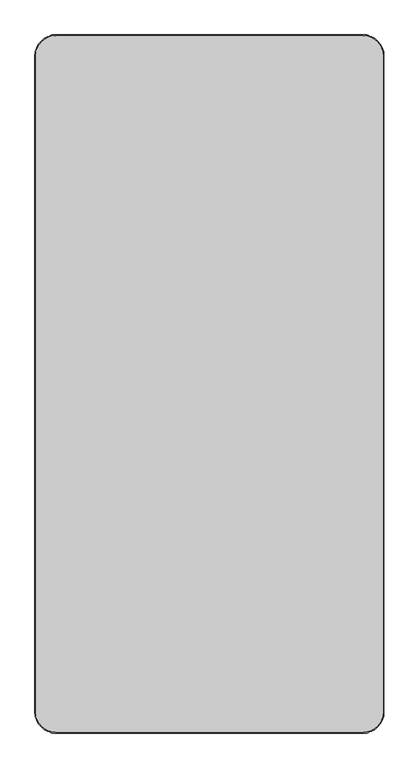
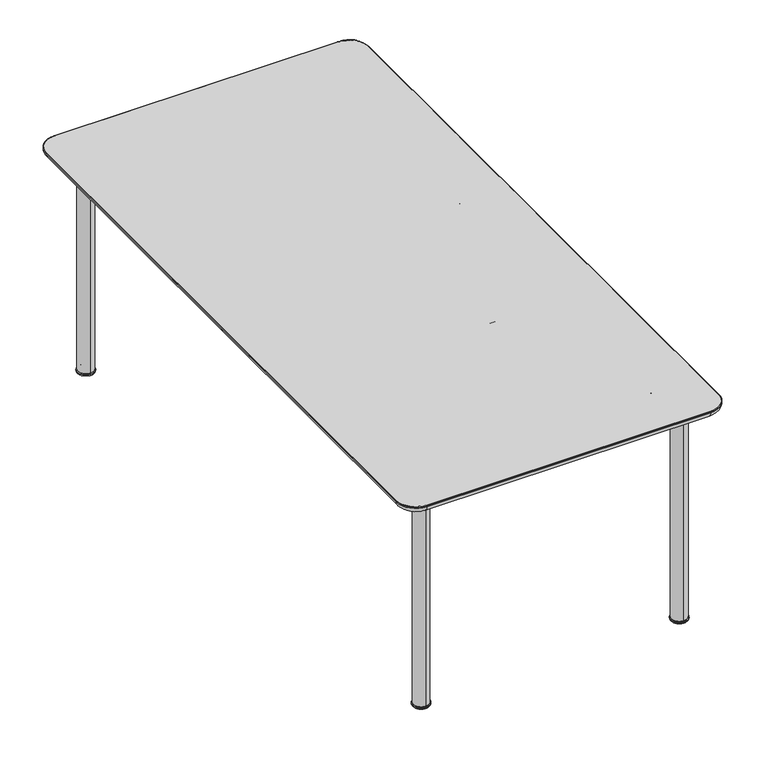
"""IFC4 building model written with IfcOpenShell, lengths in millimetres: furniture geometry."""

from ifc_helpers import new_model, si_unit, point, frame, frame_2d, origin, place, context, project, spatial, polyline, circle_curve, ellipse_curve, trimmed, segment, composite_curve, outline, extrude, source, transform, mapped, element, save
from ifc_brep_helpers import plane_surface, cylinder_surface, revolved_surface, advanced_brep


def furniture_ae0dc062(model_context):
    return source(origin(), model_context, "Body", "SolidModel", [
        advanced_brep(
        [(-387.5, -887.5, 689.5199779), (-412.5, -887.5, 689.5199779), (-412.5, -887.5, 664.4807411), (-387.5, -887.5, 664.4807411), (-387.5, 0.0, 689.5199779), (-412.5, 0.0, 689.5199779), (-412.5, 887.5, 689.5199779), (-412.5, 887.5, 664.4807411), (-412.5, 0.0, 664.4807411), (-387.5, 0.0, 664.4807411), (-387.5, 887.5, 664.4807411), (-387.5, 887.5, 689.5199779)],
        [
            (0, 1, circle_curve(frame((-400.0, -887.5, 689.5199779), z_axis=(0.0, -1.0, 0.0), x_axis=(-1.0, 0.0, 0.0)), 12.5)),
            (1, 2),
            (2, 3, circle_curve(frame((-400.0, -887.5, 664.4807411), z_axis=(0.0, -1.0, 0.0), x_axis=(-1.0, 0.0, 0.0)), 12.5)),
            (3, 0),
            (0, 4),
            (4, 5, circle_curve(frame((-400.0, 0.0, 689.5199779), z_axis=(0.0, -1.0, 0.0), x_axis=(-1.0, 0.0, 0.0)), 12.5)),
            (5, 1),
            (5, 6),
            (6, 7),
            (7, 8),
            (8, 2),
            (8, 9, circle_curve(frame((-400.0, 0.0, 664.4807411), z_axis=(0.0, -1.0, 0.0), x_axis=(-1.0, 0.0, 0.0)), 12.5)),
            (9, 3),
            (9, 10),
            (10, 11),
            (11, 4),
            (10, 7, circle_curve(frame((-400.0, 887.5, 664.4807411), z_axis=(0.0, 1.0, 0.0), x_axis=(-1.0, 0.0, 0.0)), 12.5)),
            (6, 11, circle_curve(frame((-400.0, 887.5, 689.5199779), z_axis=(0.0, 1.0, 0.0), x_axis=(-1.0, 0.0, 0.0)), 12.5)),
        ],
        [
            plane_surface(frame((-412.5, -887.5, 689.5199779), z_axis=(0.0, -1.0, 0.0), x_axis=(0.0, 0.0, -1.0))),
            cylinder_surface(frame((-400.0, 0.0, 689.5199779), z_axis=(0.0, -1.0, 0.0), x_axis=(-1.0, 0.0, 0.0)), 12.5),
            plane_surface(frame((-412.5, -887.5, 689.5199779), z_axis=(-1.0, 0.0, 0.0), x_axis=(0.0, 1.0, 0.0))),
            cylinder_surface(frame((-400.0, 0.0, 664.4807411), z_axis=(0.0, -1.0, 0.0), x_axis=(-1.0, 0.0, 0.0)), 12.5),
            plane_surface(frame((-387.5, -887.5, 664.4807411), z_axis=(1.0, 0.0, 0.0), x_axis=(0.0, 1.0, 0.0))),
            plane_surface(frame((-387.5, 887.5, 664.506188), z_axis=(0.0, 1.0, 0.0), x_axis=(0.0, 0.0, -1.0))),
            cylinder_surface(frame((-400.0, 0.0, 689.5199779), z_axis=(0.0, 1.0, 0.0), x_axis=(-1.0, 0.0, 0.0)), 12.5),
            cylinder_surface(frame((-400.0, 0.0, 664.4807411), z_axis=(0.0, 1.0, 0.0), x_axis=(-1.0, 0.0, 0.0)), 12.5),
        ],
        [
            (0, [[1, 2, 3, 4]]),
            (1, [[-1, 5, 6, 7]]),
            (2, [[-2, -7, 8, 9, 10, 11]]),
            (3, [[-3, -11, 12, 13]]),
            (4, [[-4, -13, 14, 15, 16, -5]]),
            (5, [[-15, 17, -9, 18]]),
            (6, [[-18, -8, -6, -16]]),
            (7, [[-17, -14, -12, -10]]),
        ],
    ),
        advanced_brep(
        [(387.5, -887.5, 689.5199779), (387.5, -887.5, 664.4807411), (412.5, -887.5, 664.4807411), (412.5, -887.5, 689.5199779), (412.5, 0.0, 689.5199779), (387.5, 0.0, 689.5199779), (412.5, 0.0, 664.4807411), (412.5, 887.5, 664.4807411), (412.5, 887.5, 689.5199779), (387.5, 0.0, 664.4807411), (387.5, 887.5, 689.5199779), (387.5, 887.5, 664.4807411)],
        [
            (0, 1),
            (1, 2, circle_curve(frame((400.0, -887.5, 664.4807411), z_axis=(0.0, -1.0, 0.0), x_axis=(1.0, 0.0, 0.0)), 12.5)),
            (2, 3),
            (3, 0, circle_curve(frame((400.0, -887.5, 689.5199779), z_axis=(0.0, -1.0, 0.0), x_axis=(1.0, 0.0, 0.0)), 12.5)),
            (3, 4),
            (4, 5, circle_curve(frame((400.0, 0.0, 689.5199779), z_axis=(0.0, -1.0, 0.0), x_axis=(1.0, 0.0, 0.0)), 12.5)),
            (5, 0),
            (2, 6),
            (6, 7),
            (7, 8),
            (8, 4),
            (1, 9),
            (9, 6, circle_curve(frame((400.0, 0.0, 664.4807411), z_axis=(0.0, -1.0, 0.0), x_axis=(1.0, 0.0, 0.0)), 12.5)),
            (5, 10),
            (10, 11),
            (11, 9),
            (10, 8, circle_curve(frame((400.0, 887.5, 689.5199779), z_axis=(0.0, 1.0, 0.0), x_axis=(1.0, 0.0, 0.0)), 12.5)),
            (7, 11, circle_curve(frame((400.0, 887.5, 664.4807411), z_axis=(0.0, 1.0, 0.0), x_axis=(1.0, 0.0, 0.0)), 12.5)),
        ],
        [
            plane_surface(frame((387.5, -887.5, 664.506188), z_axis=(0.0, -1.0, 0.0), x_axis=(0.0, 0.0, -1.0))),
            cylinder_surface(frame((400.0, 0.0, 689.5199779), z_axis=(0.0, -1.0, 0.0), x_axis=(1.0, 0.0, 0.0)), 12.5),
            plane_surface(frame((412.5, -887.5, 664.4807411), z_axis=(1.0, 0.0, 0.0), x_axis=(0.0, 1.0, 0.0))),
            cylinder_surface(frame((400.0, 0.0, 664.4807411), z_axis=(0.0, -1.0, 0.0), x_axis=(1.0, 0.0, 0.0)), 12.5),
            plane_surface(frame((387.5, -887.5, 689.5199779), z_axis=(-1.0, 0.0, 0.0), x_axis=(0.0, 1.0, 0.0))),
            plane_surface(frame((412.5, 887.5, 689.5199779), z_axis=(0.0, 1.0, 0.0), x_axis=(0.0, 0.0, -1.0))),
            cylinder_surface(frame((400.0, 0.0, 689.5199779), z_axis=(0.0, 1.0, 0.0), x_axis=(1.0, 0.0, 0.0)), 12.5),
            cylinder_surface(frame((400.0, 0.0, 664.4807411), z_axis=(0.0, 1.0, 0.0), x_axis=(1.0, 0.0, 0.0)), 12.5),
        ],
        [
            (0, [[1, 2, 3, 4]]),
            (1, [[-4, 5, 6, 7]]),
            (2, [[-3, 8, 9, 10, 11, -5]]),
            (3, [[-2, 12, 13, -8]]),
            (4, [[-1, -7, 14, 15, 16, -12]]),
            (5, [[17, -10, 18, -15]]),
            (6, [[-17, -14, -6, -11]]),
            (7, [[-18, -9, -13, -16]]),
        ],
    ),
        extrude(outline(composite_curve([segment(trimmed(circle_curve(frame_2d((753.0, 686.5060861)), 3.0), [point((750.0, 686.5060861))], [point((753.0, 689.5060861))], False, "CARTESIAN"), True, "CONTINUOUS"), segment(polyline([(753.0, 689.5060861), (772.0, 689.5060861)]), True, "CONTINUOUS"), segment(trimmed(circle_curve(frame_2d((772.0, 686.5060861)), 3.0), [point((772.0, 689.5060861))], [point((775.0, 686.5060861))], False, "CARTESIAN"), True, "CONTINUOUS"), segment(polyline([(775.0, 686.5060861), (775.0, 667.5060861)]), True, "CONTINUOUS"), segment(trimmed(circle_curve(frame_2d((772.0, 667.5060861)), 3.0), [point((775.0, 667.5060861))], [point((772.0, 664.5060861))], False, "CARTESIAN"), True, "CONTINUOUS"), segment(polyline([(772.0, 664.5060861), (753.0, 664.5060861)]), True, "CONTINUOUS"), segment(trimmed(circle_curve(frame_2d((753.0, 667.5060861)), 3.0), [point((753.0, 664.5060861))], [point((750.0, 667.5060861))], False, "CARTESIAN"), True, "CONTINUOUS"), segment(polyline([(750.0, 667.5060861), (750.0, 686.5060861)]), True, "CONTINUOUS")], self_intersect=False)), frame((-387.5, 0.0, 0.0), z_axis=(1.0, 0.0, 0.0), x_axis=(0.0, 1.0, 0.0)), (0.0, 0.0, 1.0), 775.0),
        extrude(outline(composite_curve([segment(trimmed(circle_curve(frame_2d((253.0, 686.5060861)), 3.0), [point((250.0, 686.5060861))], [point((253.0, 689.5060861))], False, "CARTESIAN"), True, "CONTINUOUS"), segment(polyline([(253.0, 689.5060861), (272.0, 689.5060861)]), True, "CONTINUOUS"), segment(trimmed(circle_curve(frame_2d((272.0, 686.5060861)), 3.0), [point((272.0, 689.5060861))], [point((275.0, 686.5060861))], False, "CARTESIAN"), True, "CONTINUOUS"), segment(polyline([(275.0, 686.5060861), (275.0, 667.5060861)]), True, "CONTINUOUS"), segment(trimmed(circle_curve(frame_2d((272.0, 667.5060861)), 3.0), [point((275.0, 667.5060861))], [point((272.0, 664.5060861))], False, "CARTESIAN"), True, "CONTINUOUS"), segment(polyline([(272.0, 664.5060861), (253.0, 664.5060861)]), True, "CONTINUOUS"), segment(trimmed(circle_curve(frame_2d((253.0, 667.5060861)), 3.0), [point((253.0, 664.5060861))], [point((250.0, 667.5060861))], False, "CARTESIAN"), True, "CONTINUOUS"), segment(polyline([(250.0, 667.5060861), (250.0, 686.5060861)]), True, "CONTINUOUS")], self_intersect=False)), frame((-387.5, 0.0, 0.0), z_axis=(1.0, 0.0, 0.0), x_axis=(0.0, 1.0, 0.0)), (0.0, 0.0, 1.0), 775.0),
        extrude(outline(composite_curve([segment(trimmed(circle_curve(frame_2d((900.0, 689.5199779)), 12.5), [point((887.5, 689.5199779))], [point((912.5, 689.5199779))], False, "CARTESIAN"), True, "CONTINUOUS"), segment(polyline([(912.5, 689.5199779), (912.5, 664.4807411)]), True, "CONTINUOUS"), segment(trimmed(circle_curve(frame_2d((900.0, 664.4807411)), 12.5), [point((912.5, 664.4807411))], [point((887.5, 664.4807411))], False, "CARTESIAN"), True, "CONTINUOUS"), segment(polyline([(887.5, 664.4807411), (887.5, 689.5199779)]), True, "CONTINUOUS")], self_intersect=False)), frame((-387.5, 0.0, 0.0), z_axis=(1.0, 0.0, 0.0), x_axis=(0.0, 1.0, 0.0)), (0.0, 0.0, 1.0), 775.0),
        advanced_brep(
        [(-400.0, 899.9751431, 7.0064935), (-400.0, 876.0499492, 7.0064935), (-400.0, 923.9003371, 7.0064935), (-400.0, 923.4003371, 0.0), (-400.0, 876.5499492, 0.0), (-400.0, 899.9751431, 0.0), (-400.0, 926.4003371, 3.0), (-400.0, 873.5499492, 3.0), (-400.0, 926.4003371, 4.5064935), (-400.0, 873.5499492, 4.5064935)],
        [
            (0, 1),
            (1, 2, circle_curve(frame((-400.0, 899.9751431, 7.0064935), z_axis=(0.0, 0.0, 1.0), x_axis=(0.0, -1.0, 0.0)), 23.925194)),
            (2, 0),
            (2, 1, circle_curve(frame((-400.0, 899.9751431, 7.0064935), z_axis=(0.0, 0.0, 1.0), x_axis=(0.0, -1.0, 0.0)), 23.925194)),
            (3, 4, circle_curve(frame((-400.0, 899.9751431, 0.0), z_axis=(0.0, 0.0, -1.0), x_axis=(0.0, -1.0, 0.0)), 23.425194)),
            (4, 5),
            (5, 3),
            (4, 3, circle_curve(frame((-400.0, 899.9751431, 0.0), z_axis=(0.0, 0.0, -1.0), x_axis=(0.0, -1.0, 0.0)), 23.425194)),
            (6, 7, circle_curve(frame((-400.0, 899.9751431, 3.0), z_axis=(0.0, 0.0, -1.0), x_axis=(0.0, -1.0, 0.0)), 26.425194)),
            (7, 4, circle_curve(frame((-400.0, 876.5499492, 3.0), z_axis=(1.0, 0.0, 0.0), x_axis=(0.0, -1.0, 0.0)), 3.0)),
            (3, 6, circle_curve(frame((-400.0, 923.4003371, 3.0), z_axis=(1.0, 0.0, 0.0), x_axis=(0.0, 1.0, 0.0)), 3.0)),
            (7, 6, circle_curve(frame((-400.0, 899.9751431, 3.0), z_axis=(0.0, 0.0, -1.0), x_axis=(0.0, -1.0, 0.0)), 26.425194)),
            (8, 9, circle_curve(frame((-400.0, 899.9751431, 4.5064935), z_axis=(0.0, 0.0, -1.0), x_axis=(0.0, -1.0, 0.0)), 26.425194)),
            (9, 7),
            (6, 8),
            (9, 8, circle_curve(frame((-400.0, 899.9751431, 4.5064935), z_axis=(0.0, 0.0, -1.0), x_axis=(0.0, -1.0, 0.0)), 26.425194)),
            (1, 9, circle_curve(frame((-400.0, 876.0499492, 4.5064935), z_axis=(1.0, 0.0, 0.0), x_axis=(0.0, -1.0, 0.0)), 2.5)),
            (8, 2, circle_curve(frame((-400.0, 923.9003371, 4.5064935), z_axis=(1.0, 0.0, 0.0), x_axis=(0.0, 1.0, 0.0)), 2.5)),
        ],
        [
            plane_surface(frame((-400.0, 899.9751431, 7.0064935), z_axis=(0.0, 0.0, 1.0), x_axis=(0.0, -1.0, 0.0))),
            plane_surface(frame((-400.0, 899.9751431, 0.0), z_axis=(0.0, 0.0, -1.0), x_axis=(0.0, -1.0, 0.0))),
            revolved_surface(trimmed(ellipse_curve(frame((-400.0, 876.5499492, 3.0), z_axis=(-1.0, 0.0, 0.0), x_axis=(0.0, -1.0, 0.0)), 3.0, 3.0), [point((-400.0, 876.5499492, 0.0))], [point((-400.0, 873.5499492, 3.0))], True, "CARTESIAN"), (-400.0, 899.9751431, 7.0064935), (0.0, 0.0, 1.0)),
            cylinder_surface(frame((-400.0, 899.9751431, 7.0064935), z_axis=(0.0, 0.0, 1.0), x_axis=(0.0, -1.0, 0.0)), 26.425194),
            revolved_surface(trimmed(ellipse_curve(frame((-400.0, 876.0499492, 4.5064935), z_axis=(-1.0, 0.0, 0.0), x_axis=(0.0, -1.0, 0.0)), 2.5, 2.5), [point((-400.0, 873.5499492, 4.5064935))], [point((-400.0, 876.0499492, 7.0064935))], True, "CARTESIAN"), (-400.0, 899.9751431, 7.0064935), (0.0, 0.0, 1.0)),
        ],
        [
            (0, [[1, 2, 3]]),
            (0, [[-3, 4, -1]]),
            (1, [[5, 6, 7]]),
            (1, [[8, -7, -6]]),
            (2, [[9, 10, -5, 11]]),
            (2, [[12, -11, -8, -10]]),
            (3, [[13, 14, -9, 15]]),
            (3, [[16, -15, -12, -14]]),
            (4, [[-2, 17, -13, 18]]),
            (4, [[-4, -18, -16, -17]]),
        ],
    ),
        extrude(outline(composite_curve([segment(trimmed(circle_curve(frame_2d((-400.0034069, 899.9751431)), 24.0), [point((-400.0034069, 923.9751431))], [point((-400.0034069, 875.9751431))], False, "CARTESIAN"), True, "CONTINUOUS"), segment(trimmed(circle_curve(frame_2d((-400.0034069, 899.9751431)), 24.0), [point((-400.0034069, 875.9751431))], [point((-400.0034069, 923.9751431))], False, "CARTESIAN"), True, "CONTINUOUS")], self_intersect=False)), frame((0.0, 0.0, 7.0064935), z_axis=(0.0, 0.0, 1.0), x_axis=(1.0, 0.0, 0.0)), (0.0, 0.0, 1.0), 695.0),
        advanced_brep(
        [(400.0, 923.9003371, 7.0064935), (400.0, 876.0499492, 7.0064935), (400.0, 899.9751431, 7.0064935), (400.0, 899.9751431, 0.0), (400.0, 876.5499492, 0.0), (400.0, 923.4003371, 0.0), (400.0, 873.5499492, 3.0), (400.0, 926.4003371, 3.0), (400.0, 873.5499492, 4.5064935), (400.0, 926.4003371, 4.5064935)],
        [
            (0, 1, circle_curve(frame((400.0, 899.9751431, 7.0064935), z_axis=(0.0, 0.0, 1.0), x_axis=(0.0, -1.0, 0.0)), 23.925194)),
            (1, 2),
            (2, 0),
            (1, 0, circle_curve(frame((400.0, 899.9751431, 7.0064935), z_axis=(0.0, 0.0, 1.0), x_axis=(0.0, -1.0, 0.0)), 23.925194)),
            (3, 4),
            (4, 5, circle_curve(frame((400.0, 899.9751431, 0.0), z_axis=(0.0, 0.0, -1.0), x_axis=(0.0, -1.0, 0.0)), 23.425194)),
            (5, 3),
            (5, 4, circle_curve(frame((400.0, 899.9751431, 0.0), z_axis=(0.0, 0.0, -1.0), x_axis=(0.0, -1.0, 0.0)), 23.425194)),
            (4, 6, circle_curve(frame((400.0, 876.5499492, 3.0), z_axis=(-1.0, 0.0, 0.0), x_axis=(0.0, -1.0, 0.0)), 3.0)),
            (6, 7, circle_curve(frame((400.0, 899.9751431, 3.0), z_axis=(0.0, 0.0, -1.0), x_axis=(0.0, -1.0, 0.0)), 26.425194)),
            (7, 5, circle_curve(frame((400.0, 923.4003371, 3.0), z_axis=(-1.0, 0.0, 0.0), x_axis=(0.0, 1.0, 0.0)), 3.0)),
            (7, 6, circle_curve(frame((400.0, 899.9751431, 3.0), z_axis=(0.0, 0.0, -1.0), x_axis=(0.0, -1.0, 0.0)), 26.425194)),
            (6, 8),
            (8, 9, circle_curve(frame((400.0, 899.9751431, 4.5064935), z_axis=(0.0, 0.0, -1.0), x_axis=(0.0, -1.0, 0.0)), 26.425194)),
            (9, 7),
            (9, 8, circle_curve(frame((400.0, 899.9751431, 4.5064935), z_axis=(0.0, 0.0, -1.0), x_axis=(0.0, -1.0, 0.0)), 26.425194)),
            (8, 1, circle_curve(frame((400.0, 876.0499492, 4.5064935), z_axis=(-1.0, 0.0, 0.0), x_axis=(0.0, -1.0, 0.0)), 2.5)),
            (0, 9, circle_curve(frame((400.0, 923.9003371, 4.5064935), z_axis=(-1.0, 0.0, 0.0), x_axis=(0.0, 1.0, 0.0)), 2.5)),
        ],
        [
            plane_surface(frame((400.0, 899.9751431, 7.0064935), z_axis=(0.0, 0.0, 1.0), x_axis=(0.0, -1.0, 0.0))),
            plane_surface(frame((400.0, 899.9751431, 0.0), z_axis=(0.0, 0.0, -1.0), x_axis=(0.0, -1.0, 0.0))),
            revolved_surface(trimmed(ellipse_curve(frame((400.0, 876.5499492, 3.0), z_axis=(1.0, 0.0, 0.0), x_axis=(0.0, -1.0, 0.0)), 3.0, 3.0), [point((400.0, 873.5499492, 3.0))], [point((400.0, 876.5499492, 0.0))], True, "CARTESIAN"), (400.0, 899.9751431, 7.0064935), (0.0, 0.0, -1.0)),
            cylinder_surface(frame((400.0, 899.9751431, 7.0064935), z_axis=(0.0, 0.0, -1.0), x_axis=(0.0, -1.0, 0.0)), 26.425194),
            revolved_surface(trimmed(ellipse_curve(frame((400.0, 876.0499492, 4.5064935), z_axis=(1.0, 0.0, 0.0), x_axis=(0.0, -1.0, 0.0)), 2.5, 2.5), [point((400.0, 876.0499492, 7.0064935))], [point((400.0, 873.5499492, 4.5064935))], True, "CARTESIAN"), (400.0, 899.9751431, 7.0064935), (0.0, 0.0, -1.0)),
        ],
        [
            (0, [[1, 2, 3]]),
            (0, [[4, -3, -2]]),
            (1, [[5, 6, 7]]),
            (1, [[-7, 8, -5]]),
            (2, [[-6, 9, 10, 11]]),
            (2, [[-8, -11, 12, -9]]),
            (3, [[-10, 13, 14, 15]]),
            (3, [[-12, -15, 16, -13]]),
            (4, [[-14, 17, -1, 18]]),
            (4, [[-16, -18, -4, -17]]),
        ],
    ),
        extrude(outline(composite_curve([segment(trimmed(circle_curve(frame_2d((400.0034069, 899.9751431)), 24.0), [point((400.0034069, 923.9751431))], [point((400.0034069, 875.9751431))], False, "CARTESIAN"), True, "CONTINUOUS"), segment(trimmed(circle_curve(frame_2d((400.0034069, 899.9751431)), 24.0), [point((400.0034069, 875.9751431))], [point((400.0034069, 923.9751431))], False, "CARTESIAN"), True, "CONTINUOUS")], self_intersect=False)), frame((0.0, 0.0, 7.0064935), z_axis=(0.0, 0.0, 1.0), x_axis=(1.0, 0.0, 0.0)), (0.0, 0.0, 1.0), 695.0),
        advanced_brep(
        [(-498.0, -940.0, 725.0064935), (-440.0, -998.0, 725.0064935), (440.0, -998.0, 725.0064935), (498.0, -940.0, 725.0064935), (498.0, 0.0, 725.0064935), (498.0, 940.0, 725.0064935), (440.0, 998.0, 725.0064935), (-440.0, 998.0, 725.0064935), (-498.0, 940.0, 725.0064935), (-498.0, 0.0, 725.0064935), (-440.0, -992.0, 705.0064935), (-492.0, -940.0, 705.0064935), (-492.0, 0.0, 705.0064935), (-492.0, 940.0, 705.0064935), (-440.0, 992.0, 705.0064935), (440.0, 992.0, 705.0064935), (492.0, 940.0, 705.0064935), (492.0, 0.0, 705.0064935), (492.0, -940.0, 705.0064935), (440.0, -992.0, 705.0064935), (440.0, -1000.0, 723.0064935), (440.0, -1000.0, 721.0064935), (500.0, -940.0, 721.0064935), (500.0, -940.0, 723.0064946), (500.0, 0.0, 721.0064935), (500.0, 940.0, 721.0064935), (500.0, 940.0, 723.0064935), (500.0, 0.0, 723.0064935), (-500.0, 940.0, 723.0064936), (-500.0, 940.0, 721.0064935), (-500.0, 0.0, 721.0064935), (-500.0, -940.0, 721.0064935), (-500.0, -940.0, 723.0064947), (-500.0, 0.0, 723.0064935), (-440.0, -1000.0, 721.0064935), (-440.0, -1000.0, 723.0064946), (440.0, 1000.0, 723.0064935), (440.0, 1000.0, 721.0064935), (-440.0, 1000.0, 723.0064935), (-440.0, 1000.0, 721.0064935)],
        [
            (0, 1, circle_curve(frame((-440.0, -940.0, 725.0064935), z_axis=(0.0, 0.0, 1.0), x_axis=(-1.0, 0.0, 0.0)), 58.0)),
            (1, 2),
            (2, 3, circle_curve(frame((440.0, -940.0, 725.0064935), z_axis=(0.0, 0.0, 1.0), x_axis=(0.0, -1.0, 0.0)), 58.0)),
            (3, 4),
            (4, 5),
            (5, 6, circle_curve(frame((440.0, 940.0, 725.0064935), z_axis=(0.0, 0.0, 1.0), x_axis=(1.0, 0.0, 0.0)), 58.0)),
            (6, 7),
            (7, 8, circle_curve(frame((-440.0, 940.0, 725.0064935), z_axis=(0.0, 0.0, 1.0), x_axis=(0.0, 1.0, 0.0)), 58.0)),
            (8, 9),
            (9, 0),
            (10, 11, circle_curve(frame((-440.0, -940.0, 705.0064935), z_axis=(0.0, 0.0, -1.0), x_axis=(-1.0, 0.0, 0.0)), 52.0)),
            (11, 12),
            (12, 13),
            (13, 14, circle_curve(frame((-440.0, 940.0, 705.0064935), z_axis=(0.0, 0.0, -1.0), x_axis=(0.0, 1.0, 0.0)), 52.0)),
            (14, 15),
            (15, 16, circle_curve(frame((440.0, 940.0, 705.0064935), z_axis=(0.0, 0.0, -1.0), x_axis=(1.0, 0.0, 0.0)), 52.0)),
            (16, 17),
            (17, 18),
            (18, 19, circle_curve(frame((440.0, -940.0, 705.0064935), z_axis=(0.0, 0.0, -1.0), x_axis=(0.0, -1.0, 0.0)), 52.0)),
            (19, 10),
            (20, 21),
            (21, 22, circle_curve(frame((440.0, -940.0, 721.0064935), z_axis=(0.0, 0.0, 1.0), x_axis=(0.0, 1.0, 0.0)), 60.0)),
            (22, 23),
            (23, 20, circle_curve(frame((440.0, -940.0, 723.0064935), z_axis=(0.0, 0.0, -1.0), x_axis=(0.0, 1.0, 0.0)), 60.0)),
            (22, 24),
            (24, 25),
            (25, 26),
            (26, 27),
            (27, 23),
            (28, 29),
            (29, 30),
            (30, 31),
            (31, 32),
            (32, 33),
            (33, 28),
            (31, 34, circle_curve(frame((-440.0, -940.0, 721.0064935), z_axis=(0.0, 0.0, 1.0), x_axis=(0.0, 1.0, 0.0)), 60.0)),
            (34, 35),
            (35, 32, circle_curve(frame((-440.0, -940.0, 723.0064935), z_axis=(0.0, 0.0, -1.0), x_axis=(0.0, 1.0, 0.0)), 60.0)),
            (20, 35),
            (34, 21),
            (35, 1, circle_curve(frame((-440.0, -998.0, 723.0064935), z_axis=(-1.0, 0.0, 0.0), x_axis=(0.0, 1.0, 0.0)), 2.0)),
            (0, 32, circle_curve(frame((-498.0, -940.0, 723.0064935), z_axis=(0.0, -1.0, 0.0), x_axis=(1.0, 0.0, 0.0)), 2.0)),
            (10, 34, circle_curve(frame((-440.0, -980.0, 721.0064935), z_axis=(-1.0, 0.0, 0.0), x_axis=(0.0, 1.0, 0.0)), 20.0)),
            (31, 11, circle_curve(frame((-480.0, -940.0, 721.0064935), z_axis=(0.0, -1.0, 0.0), x_axis=(1.0, 0.0, 0.0)), 20.0)),
            (20, 2, circle_curve(frame((440.0, -998.0, 723.0064935), z_axis=(-1.0, 0.0, 0.0), x_axis=(0.0, 1.0, 0.0)), 2.0)),
            (19, 21, circle_curve(frame((440.0, -980.0, 721.0064935), z_axis=(-1.0, 0.0, 0.0), x_axis=(0.0, 1.0, 0.0)), 20.0)),
            (23, 3, circle_curve(frame((498.0, -940.0, 723.0064935), z_axis=(0.0, -1.0, 0.0), x_axis=(-1.0, 0.0, 0.0)), 2.0)),
            (18, 22, circle_curve(frame((480.0, -940.0, 721.0064935), z_axis=(0.0, -1.0, 0.0), x_axis=(-1.0, 0.0, 0.0)), 20.0)),
            (27, 4, circle_curve(frame((498.0, 0.0, 723.0064935), z_axis=(0.0, -1.0, 0.0), x_axis=(-1.0, 0.0, 0.0)), 2.0)),
            (17, 24, circle_curve(frame((480.0, 0.0, 721.0064935), z_axis=(0.0, -1.0, 0.0), x_axis=(-1.0, 0.0, 0.0)), 20.0)),
            (26, 5, circle_curve(frame((498.0, 940.0, 723.0064935), z_axis=(0.0, -1.0, 0.0), x_axis=(-1.0, 0.0, 0.0)), 2.0)),
            (16, 25, circle_curve(frame((480.0, 940.0, 721.0064935), z_axis=(0.0, -1.0, 0.0), x_axis=(-1.0, 0.0, 0.0)), 20.0)),
            (26, 36, circle_curve(frame((440.0, 940.0, 723.0064935), z_axis=(0.0, 0.0, 1.0), x_axis=(1.0, 0.0, 0.0)), 60.0)),
            (36, 6, circle_curve(frame((440.0, 998.0, 723.0064935), z_axis=(1.0, 0.0, 0.0), x_axis=(0.0, -1.0, 0.0)), 2.0)),
            (15, 37, circle_curve(frame((440.0, 980.0, 721.0064935), z_axis=(1.0, 0.0, 0.0), x_axis=(0.0, -1.0, 0.0)), 20.0)),
            (37, 25, circle_curve(frame((440.0, 940.0, 721.0064935), z_axis=(0.0, 0.0, -1.0), x_axis=(1.0, 0.0, 0.0)), 60.0)),
            (36, 38),
            (38, 7, circle_curve(frame((-440.0, 998.0, 723.0064935), z_axis=(1.0, 0.0, 0.0), x_axis=(0.0, -1.0, 0.0)), 2.0)),
            (14, 39, circle_curve(frame((-440.0, 980.0, 721.0064935), z_axis=(1.0, 0.0, 0.0), x_axis=(0.0, -1.0, 0.0)), 20.0)),
            (39, 37),
            (38, 28, circle_curve(frame((-440.0, 940.0, 723.0064935), z_axis=(0.0, 0.0, 1.0), x_axis=(0.0, 1.0, 0.0)), 60.0)),
            (28, 8, circle_curve(frame((-498.0, 940.0, 723.0064935), z_axis=(0.0, 1.0, 0.0), x_axis=(1.0, 0.0, 0.0)), 2.0)),
            (13, 29, circle_curve(frame((-480.0, 940.0, 721.0064935), z_axis=(0.0, 1.0, 0.0), x_axis=(1.0, 0.0, 0.0)), 20.0)),
            (29, 39, circle_curve(frame((-440.0, 940.0, 721.0064935), z_axis=(0.0, 0.0, -1.0), x_axis=(0.0, 1.0, 0.0)), 60.0)),
            (33, 9, circle_curve(frame((-498.0, 0.0, 723.0064935), z_axis=(0.0, 1.0, 0.0), x_axis=(1.0, 0.0, 0.0)), 2.0)),
            (12, 30, circle_curve(frame((-480.0, 0.0, 721.0064935), z_axis=(0.0, 1.0, 0.0), x_axis=(1.0, 0.0, 0.0)), 20.0)),
            (37, 36),
            (38, 39),
        ],
        [
            plane_surface(frame((440.0, -880.0, 725.0064935), z_axis=(0.0, 0.0, 1.0), x_axis=(-1.0, 0.0, 0.0))),
            plane_surface(frame((440.0, -880.0, 705.0064935), z_axis=(0.0, 0.0, -1.0), x_axis=(1.0, 0.0, 0.0))),
            cylinder_surface(frame((440.0, -940.0, 705.0064935), z_axis=(0.0, 0.0, 1.0), x_axis=(0.0, 1.0, 0.0)), 60.0),
            plane_surface(frame((500.0, -940.0, 725.0064935), z_axis=(1.0, 0.0, 0.0), x_axis=(0.0, 0.0, -1.0))),
            plane_surface(frame((-500.0, 0.0, 725.0064935), z_axis=(-1.0, 0.0, 0.0), x_axis=(0.0, 0.0, -1.0))),
            cylinder_surface(frame((-440.0, -940.0, 705.0064935), z_axis=(0.0, 0.0, 1.0), x_axis=(0.0, 1.0, 0.0)), 60.0),
            plane_surface(frame((-440.0, -1000.0, 725.0064935), z_axis=(0.0, -1.0, 0.0), x_axis=(0.0, 0.0, -1.0))),
            revolved_surface(trimmed(ellipse_curve(frame((-498.0, -940.0, 723.0064935), z_axis=(0.0, 1.0, 0.0), x_axis=(1.0, 0.0, 0.0)), 2.0, 2.0), [point((-500.0, -940.0, 723.0064935))], [point((-498.0, -940.0, 725.0064935))], True, "CARTESIAN"), (-440.0, -940.0, 0.0), (0.0, 0.0, 1.0)),
            revolved_surface(trimmed(ellipse_curve(frame((-480.0, -940.0, 721.0064935), z_axis=(0.0, 1.0, 0.0), x_axis=(1.0, 0.0, 0.0)), 20.0, 20.0), [point((-492.0, -940.0, 705.0064935))], [point((-500.0, -940.0, 721.0064935))], True, "CARTESIAN"), (-440.0, -940.0, 0.0), (0.0, 0.0, 1.0)),
            cylinder_surface(frame((-440.0, -998.0, 723.0064935), z_axis=(1.0, 0.0, 0.0), x_axis=(0.0, 1.0, 0.0)), 2.0),
            cylinder_surface(frame((-440.0, -980.0, 721.0064935), z_axis=(1.0, 0.0, 0.0), x_axis=(0.0, 1.0, 0.0)), 20.0),
            revolved_surface(trimmed(ellipse_curve(frame((440.0, -998.0, 723.0064935), z_axis=(-1.0, 0.0, 0.0), x_axis=(0.0, 1.0, 0.0)), 2.0, 2.0), [point((440.0, -1000.0, 723.0064935))], [point((440.0, -998.0, 725.0064935))], True, "CARTESIAN"), (440.0, -940.0, 0.0), (0.0, 0.0, 1.0)),
            revolved_surface(trimmed(ellipse_curve(frame((440.0, -980.0, 721.0064935), z_axis=(-1.0, 0.0, 0.0), x_axis=(0.0, 1.0, 0.0)), 20.0, 20.0), [point((440.0, -992.0, 705.0064935))], [point((440.0, -1000.0, 721.0064935))], True, "CARTESIAN"), (440.0, -940.0, 0.0), (0.0, 0.0, 1.0)),
            cylinder_surface(frame((498.0, -940.0, 723.0064935), z_axis=(0.0, 1.0, 0.0), x_axis=(-1.0, 0.0, 0.0)), 2.0),
            cylinder_surface(frame((480.0, -940.0, 721.0064935), z_axis=(0.0, 1.0, 0.0), x_axis=(-1.0, 0.0, 0.0)), 20.0),
            cylinder_surface(frame((498.0, 0.0, 723.0064935), z_axis=(0.0, 1.0, 0.0), x_axis=(-1.0, 0.0, 0.0)), 2.0),
            cylinder_surface(frame((480.0, 0.0, 721.0064935), z_axis=(0.0, 1.0, 0.0), x_axis=(-1.0, 0.0, 0.0)), 20.0),
            revolved_surface(trimmed(ellipse_curve(frame((498.0, 940.0, 723.0064935), z_axis=(0.0, -1.0, 0.0), x_axis=(-1.0, 0.0, 0.0)), 2.0, 2.0), [point((500.0, 940.0, 723.0064935))], [point((498.0, 940.0, 725.0064935))], True, "CARTESIAN"), (440.0, 940.0, 0.0), (0.0, 0.0, 1.0)),
            revolved_surface(trimmed(ellipse_curve(frame((480.0, 940.0, 721.0064935), z_axis=(0.0, -1.0, 0.0), x_axis=(-1.0, 0.0, 0.0)), 20.0, 20.0), [point((492.0, 940.0, 705.0064935))], [point((500.0, 940.0, 721.0064935))], True, "CARTESIAN"), (440.0, 940.0, 0.0), (0.0, 0.0, 1.0)),
            cylinder_surface(frame((440.0, 998.0, 723.0064935), z_axis=(-1.0, 0.0, 0.0), x_axis=(0.0, -1.0, 0.0)), 2.0),
            cylinder_surface(frame((440.0, 980.0, 721.0064935), z_axis=(-1.0, 0.0, 0.0), x_axis=(0.0, -1.0, 0.0)), 20.0),
            revolved_surface(trimmed(ellipse_curve(frame((-440.0, 998.0, 723.0064935), z_axis=(1.0, 0.0, 0.0), x_axis=(0.0, -1.0, 0.0)), 2.0, 2.0), [point((-440.0, 1000.0, 723.0064935))], [point((-440.0, 998.0, 725.0064935))], True, "CARTESIAN"), (-440.0, 940.0, 0.0), (0.0, 0.0, 1.0)),
            revolved_surface(trimmed(ellipse_curve(frame((-440.0, 980.0, 721.0064935), z_axis=(1.0, 0.0, 0.0), x_axis=(0.0, -1.0, 0.0)), 20.0, 20.0), [point((-440.0, 992.0, 705.0064935))], [point((-440.0, 1000.0, 721.0064935))], True, "CARTESIAN"), (-440.0, 940.0, 0.0), (0.0, 0.0, 1.0)),
            cylinder_surface(frame((-498.0, 940.0, 723.0064935), z_axis=(0.0, -1.0, 0.0), x_axis=(1.0, 0.0, 0.0)), 2.0),
            cylinder_surface(frame((-480.0, 940.0, 721.0064935), z_axis=(0.0, -1.0, 0.0), x_axis=(1.0, 0.0, 0.0)), 20.0),
            cylinder_surface(frame((-498.0, 0.0, 723.0064935), z_axis=(0.0, -1.0, 0.0), x_axis=(1.0, 0.0, 0.0)), 2.0),
            cylinder_surface(frame((-480.0, 0.0, 721.0064935), z_axis=(0.0, -1.0, 0.0), x_axis=(1.0, 0.0, 0.0)), 20.0),
            cylinder_surface(frame((440.0, 940.0, 705.0064935), z_axis=(0.0, 0.0, 1.0), x_axis=(0.0, -1.0, 0.0)), 60.0),
            cylinder_surface(frame((-440.0, 940.0, 705.0064935), z_axis=(0.0, 0.0, 1.0), x_axis=(0.0, -1.0, 0.0)), 60.0),
            plane_surface(frame((440.0, 1000.0, 725.0064935), z_axis=(0.0, 1.0, 0.0), x_axis=(0.0, 0.0, -1.0))),
        ],
        [
            (0, [[1, 2, 3, 4, 5, 6, 7, 8, 9, 10]]),
            (1, [[11, 12, 13, 14, 15, 16, 17, 18, 19, 20]]),
            (2, [[21, 22, 23, 24]]),
            (3, [[-23, 25, 26, 27, 28, 29]]),
            (4, [[30, 31, 32, 33, 34, 35]]),
            (5, [[-33, 36, 37, 38]]),
            (6, [[-21, 39, -37, 40]]),
            (7, [[41, -1, 42, -38]]),
            (8, [[43, -36, 44, -11]]),
            (9, [[-41, -39, 45, -2]]),
            (10, [[-43, -20, 46, -40]]),
            (11, [[-45, -24, 47, -3]]),
            (12, [[-46, -19, 48, -22]]),
            (13, [[-47, -29, 49, -4]]),
            (14, [[-48, -18, 50, -25]]),
            (15, [[-49, -28, 51, -5]]),
            (16, [[-50, -17, 52, -26]]),
            (17, [[-51, 53, 54, -6]]),
            (18, [[-52, -16, 55, 56]]),
            (19, [[-54, 57, 58, -7]]),
            (20, [[-55, -15, 59, 60]]),
            (21, [[-58, 61, 62, -8]]),
            (22, [[-59, -14, 63, 64]]),
            (23, [[-62, -35, 65, -9]]),
            (24, [[-63, -13, 66, -31]]),
            (25, [[-42, -10, -65, -34]]),
            (26, [[-44, -32, -66, -12]]),
            (27, [[-27, -56, 67, -53]]),
            (28, [[-30, -61, 68, -64]]),
            (29, [[-68, -57, -67, -60]]),
        ],
    ),
        extrude(outline(composite_curve([segment(polyline([(-750.0, 686.5060861), (-750.0, 667.5060861)]), True, "CONTINUOUS"), segment(trimmed(circle_curve(frame_2d((-753.0, 667.5060861)), 3.0), [point((-750.0, 667.5060861))], [point((-753.0, 664.5060861))], False, "CARTESIAN"), True, "CONTINUOUS"), segment(polyline([(-753.0, 664.5060861), (-772.0, 664.5060861)]), True, "CONTINUOUS"), segment(trimmed(circle_curve(frame_2d((-772.0, 667.5060861)), 3.0), [point((-772.0, 664.5060861))], [point((-775.0, 667.5060861))], False, "CARTESIAN"), True, "CONTINUOUS"), segment(polyline([(-775.0, 667.5060861), (-775.0, 686.5060861)]), True, "CONTINUOUS"), segment(trimmed(circle_curve(frame_2d((-772.0, 686.5060861)), 3.0), [point((-775.0, 686.5060861))], [point((-772.0, 689.5060861))], False, "CARTESIAN"), True, "CONTINUOUS"), segment(polyline([(-772.0, 689.5060861), (-753.0, 689.5060861)]), True, "CONTINUOUS"), segment(trimmed(circle_curve(frame_2d((-753.0, 686.5060861)), 3.0), [point((-753.0, 689.5060861))], [point((-750.0, 686.5060861))], False, "CARTESIAN"), True, "CONTINUOUS")], self_intersect=False)), frame((-387.5, 0.0, 0.0), z_axis=(1.0, 0.0, 0.0), x_axis=(0.0, 1.0, 0.0)), (0.0, 0.0, 1.0), 775.0),
        extrude(outline(composite_curve([segment(polyline([(-250.0, 686.5060861), (-250.0, 667.5060861)]), True, "CONTINUOUS"), segment(trimmed(circle_curve(frame_2d((-253.0, 667.5060861)), 3.0), [point((-250.0, 667.5060861))], [point((-253.0, 664.5060861))], False, "CARTESIAN"), True, "CONTINUOUS"), segment(polyline([(-253.0, 664.5060861), (-272.0, 664.5060861)]), True, "CONTINUOUS"), segment(trimmed(circle_curve(frame_2d((-272.0, 667.5060861)), 3.0), [point((-272.0, 664.5060861))], [point((-275.0, 667.5060861))], False, "CARTESIAN"), True, "CONTINUOUS"), segment(polyline([(-275.0, 667.5060861), (-275.0, 686.5060861)]), True, "CONTINUOUS"), segment(trimmed(circle_curve(frame_2d((-272.0, 686.5060861)), 3.0), [point((-275.0, 686.5060861))], [point((-272.0, 689.5060861))], False, "CARTESIAN"), True, "CONTINUOUS"), segment(polyline([(-272.0, 689.5060861), (-253.0, 689.5060861)]), True, "CONTINUOUS"), segment(trimmed(circle_curve(frame_2d((-253.0, 686.5060861)), 3.0), [point((-253.0, 689.5060861))], [point((-250.0, 686.5060861))], False, "CARTESIAN"), True, "CONTINUOUS")], self_intersect=False)), frame((-387.5, 0.0, 0.0), z_axis=(1.0, 0.0, 0.0), x_axis=(0.0, 1.0, 0.0)), (0.0, 0.0, 1.0), 775.0),
        extrude(outline(composite_curve([segment(polyline([(-887.5, 689.5199779), (-887.5, 664.4807411)]), True, "CONTINUOUS"), segment(trimmed(circle_curve(frame_2d((-900.0, 664.4807411)), 12.5), [point((-887.5, 664.4807411))], [point((-912.5, 664.4807411))], False, "CARTESIAN"), True, "CONTINUOUS"), segment(polyline([(-912.5, 664.4807411), (-912.5, 689.5199779)]), True, "CONTINUOUS"), segment(trimmed(circle_curve(frame_2d((-900.0, 689.5199779)), 12.5), [point((-912.5, 689.5199779))], [point((-887.5, 689.5199779))], False, "CARTESIAN"), True, "CONTINUOUS")], self_intersect=False)), frame((-387.5, 0.0, 0.0), z_axis=(1.0, 0.0, 0.0), x_axis=(0.0, 1.0, 0.0)), (0.0, 0.0, 1.0), 775.0),
        advanced_brep(
        [(-400.0, -923.9003371, 7.0064935), (-400.0, -876.0499492, 7.0064935), (-400.0, -899.9751431, 7.0064935), (-400.0, -899.9751431, 0.0), (-400.0, -876.5499492, 0.0), (-400.0, -923.4003371, 0.0), (-400.0, -873.5499492, 3.0), (-400.0, -926.4003371, 3.0), (-400.0, -873.5499492, 4.5064935), (-400.0, -926.4003371, 4.5064935)],
        [
            (0, 1, circle_curve(frame((-400.0, -899.9751431, 7.0064935), z_axis=(0.0, 0.0, 1.0), x_axis=(0.0, 1.0, 0.0)), 23.925194)),
            (1, 2),
            (2, 0),
            (1, 0, circle_curve(frame((-400.0, -899.9751431, 7.0064935), z_axis=(0.0, 0.0, 1.0), x_axis=(0.0, 1.0, 0.0)), 23.925194)),
            (3, 4),
            (4, 5, circle_curve(frame((-400.0, -899.9751431, 0.0), z_axis=(0.0, 0.0, -1.0), x_axis=(0.0, 1.0, 0.0)), 23.425194)),
            (5, 3),
            (5, 4, circle_curve(frame((-400.0, -899.9751431, 0.0), z_axis=(0.0, 0.0, -1.0), x_axis=(0.0, 1.0, 0.0)), 23.425194)),
            (4, 6, circle_curve(frame((-400.0, -876.5499492, 3.0), z_axis=(1.0, 0.0, 0.0), x_axis=(0.0, 1.0, 0.0)), 3.0)),
            (6, 7, circle_curve(frame((-400.0, -899.9751431, 3.0), z_axis=(0.0, 0.0, -1.0), x_axis=(0.0, 1.0, 0.0)), 26.425194)),
            (7, 5, circle_curve(frame((-400.0, -923.4003371, 3.0), z_axis=(1.0, 0.0, 0.0), x_axis=(0.0, -1.0, 0.0)), 3.0)),
            (7, 6, circle_curve(frame((-400.0, -899.9751431, 3.0), z_axis=(0.0, 0.0, -1.0), x_axis=(0.0, 1.0, 0.0)), 26.425194)),
            (6, 8),
            (8, 9, circle_curve(frame((-400.0, -899.9751431, 4.5064935), z_axis=(0.0, 0.0, -1.0), x_axis=(0.0, 1.0, 0.0)), 26.425194)),
            (9, 7),
            (9, 8, circle_curve(frame((-400.0, -899.9751431, 4.5064935), z_axis=(0.0, 0.0, -1.0), x_axis=(0.0, 1.0, 0.0)), 26.425194)),
            (8, 1, circle_curve(frame((-400.0, -876.0499492, 4.5064935), z_axis=(1.0, 0.0, 0.0), x_axis=(0.0, 1.0, 0.0)), 2.5)),
            (0, 9, circle_curve(frame((-400.0, -923.9003371, 4.5064935), z_axis=(1.0, 0.0, 0.0), x_axis=(0.0, -1.0, 0.0)), 2.5)),
        ],
        [
            plane_surface(frame((-400.0, -899.9751431, 7.0064935), z_axis=(0.0, 0.0, 1.0), x_axis=(0.0, 1.0, 0.0))),
            plane_surface(frame((-400.0, -899.9751431, 0.0), z_axis=(0.0, 0.0, -1.0), x_axis=(0.0, 1.0, 0.0))),
            revolved_surface(trimmed(ellipse_curve(frame((-400.0, -876.5499492, 3.0), z_axis=(-1.0, 0.0, 0.0), x_axis=(0.0, 1.0, 0.0)), 3.0, 3.0), [point((-400.0, -873.5499492, 3.0))], [point((-400.0, -876.5499492, 0.0))], True, "CARTESIAN"), (-400.0, -899.9751431, 7.0064935), (0.0, 0.0, -1.0)),
            cylinder_surface(frame((-400.0, -899.9751431, 7.0064935), z_axis=(0.0, 0.0, -1.0), x_axis=(0.0, 1.0, 0.0)), 26.425194),
            revolved_surface(trimmed(ellipse_curve(frame((-400.0, -876.0499492, 4.5064935), z_axis=(-1.0, 0.0, 0.0), x_axis=(0.0, 1.0, 0.0)), 2.5, 2.5), [point((-400.0, -876.0499492, 7.0064935))], [point((-400.0, -873.5499492, 4.5064935))], True, "CARTESIAN"), (-400.0, -899.9751431, 7.0064935), (0.0, 0.0, -1.0)),
        ],
        [
            (0, [[1, 2, 3]]),
            (0, [[4, -3, -2]]),
            (1, [[5, 6, 7]]),
            (1, [[-7, 8, -5]]),
            (2, [[-6, 9, 10, 11]]),
            (2, [[-8, -11, 12, -9]]),
            (3, [[-10, 13, 14, 15]]),
            (3, [[-12, -15, 16, -13]]),
            (4, [[-14, 17, -1, 18]]),
            (4, [[-16, -18, -4, -17]]),
        ],
    ),
        extrude(outline(composite_curve([segment(trimmed(circle_curve(frame_2d((-400.0034069, -899.9751431)), 24.0), [point((-400.0034069, -923.9751431))], [point((-400.0034069, -875.9751431))], False, "CARTESIAN"), True, "CONTINUOUS"), segment(trimmed(circle_curve(frame_2d((-400.0034069, -899.9751431)), 24.0), [point((-400.0034069, -875.9751431))], [point((-400.0034069, -923.9751431))], False, "CARTESIAN"), True, "CONTINUOUS")], self_intersect=False)), frame((0.0, 0.0, 7.0064935), z_axis=(0.0, 0.0, 1.0), x_axis=(1.0, 0.0, 0.0)), (0.0, 0.0, 1.0), 695.0),
        advanced_brep(
        [(400.0, -899.9751431, 7.0064935), (400.0, -876.0499492, 7.0064935), (400.0, -923.9003371, 7.0064935), (400.0, -923.4003371, 0.0), (400.0, -876.5499492, 0.0), (400.0, -899.9751431, 0.0), (400.0, -926.4003371, 3.0), (400.0, -873.5499492, 3.0), (400.0, -926.4003371, 4.5064935), (400.0, -873.5499492, 4.5064935)],
        [
            (0, 1),
            (1, 2, circle_curve(frame((400.0, -899.9751431, 7.0064935), z_axis=(0.0, 0.0, 1.0), x_axis=(0.0, 1.0, 0.0)), 23.925194)),
            (2, 0),
            (2, 1, circle_curve(frame((400.0, -899.9751431, 7.0064935), z_axis=(0.0, 0.0, 1.0), x_axis=(0.0, 1.0, 0.0)), 23.925194)),
            (3, 4, circle_curve(frame((400.0, -899.9751431, 0.0), z_axis=(0.0, 0.0, -1.0), x_axis=(0.0, 1.0, 0.0)), 23.425194)),
            (4, 5),
            (5, 3),
            (4, 3, circle_curve(frame((400.0, -899.9751431, 0.0), z_axis=(0.0, 0.0, -1.0), x_axis=(0.0, 1.0, 0.0)), 23.425194)),
            (6, 7, circle_curve(frame((400.0, -899.9751431, 3.0), z_axis=(0.0, 0.0, -1.0), x_axis=(0.0, 1.0, 0.0)), 26.425194)),
            (7, 4, circle_curve(frame((400.0, -876.5499492, 3.0), z_axis=(-1.0, 0.0, 0.0), x_axis=(0.0, 1.0, 0.0)), 3.0)),
            (3, 6, circle_curve(frame((400.0, -923.4003371, 3.0), z_axis=(-1.0, 0.0, 0.0), x_axis=(0.0, -1.0, 0.0)), 3.0)),
            (7, 6, circle_curve(frame((400.0, -899.9751431, 3.0), z_axis=(0.0, 0.0, -1.0), x_axis=(0.0, 1.0, 0.0)), 26.425194)),
            (8, 9, circle_curve(frame((400.0, -899.9751431, 4.5064935), z_axis=(0.0, 0.0, -1.0), x_axis=(0.0, 1.0, 0.0)), 26.425194)),
            (9, 7),
            (6, 8),
            (9, 8, circle_curve(frame((400.0, -899.9751431, 4.5064935), z_axis=(0.0, 0.0, -1.0), x_axis=(0.0, 1.0, 0.0)), 26.425194)),
            (1, 9, circle_curve(frame((400.0, -876.0499492, 4.5064935), z_axis=(-1.0, 0.0, 0.0), x_axis=(0.0, 1.0, 0.0)), 2.5)),
            (8, 2, circle_curve(frame((400.0, -923.9003371, 4.5064935), z_axis=(-1.0, 0.0, 0.0), x_axis=(0.0, -1.0, 0.0)), 2.5)),
        ],
        [
            plane_surface(frame((400.0, -899.9751431, 7.0064935), z_axis=(0.0, 0.0, 1.0), x_axis=(0.0, 1.0, 0.0))),
            plane_surface(frame((400.0, -899.9751431, 0.0), z_axis=(0.0, 0.0, -1.0), x_axis=(0.0, 1.0, 0.0))),
            revolved_surface(trimmed(ellipse_curve(frame((400.0, -876.5499492, 3.0), z_axis=(1.0, 0.0, 0.0), x_axis=(0.0, 1.0, 0.0)), 3.0, 3.0), [point((400.0, -876.5499492, 0.0))], [point((400.0, -873.5499492, 3.0))], True, "CARTESIAN"), (400.0, -899.9751431, 7.0064935), (0.0, 0.0, 1.0)),
            cylinder_surface(frame((400.0, -899.9751431, 7.0064935), z_axis=(0.0, 0.0, 1.0), x_axis=(0.0, 1.0, 0.0)), 26.425194),
            revolved_surface(trimmed(ellipse_curve(frame((400.0, -876.0499492, 4.5064935), z_axis=(1.0, 0.0, 0.0), x_axis=(0.0, 1.0, 0.0)), 2.5, 2.5), [point((400.0, -873.5499492, 4.5064935))], [point((400.0, -876.0499492, 7.0064935))], True, "CARTESIAN"), (400.0, -899.9751431, 7.0064935), (0.0, 0.0, 1.0)),
        ],
        [
            (0, [[1, 2, 3]]),
            (0, [[-3, 4, -1]]),
            (1, [[5, 6, 7]]),
            (1, [[8, -7, -6]]),
            (2, [[9, 10, -5, 11]]),
            (2, [[12, -11, -8, -10]]),
            (3, [[13, 14, -9, 15]]),
            (3, [[16, -15, -12, -14]]),
            (4, [[-2, 17, -13, 18]]),
            (4, [[-4, -18, -16, -17]]),
        ],
    ),
        extrude(outline(composite_curve([segment(trimmed(circle_curve(frame_2d((400.0034069, -899.9751431)), 24.0), [point((400.0034069, -923.9751431))], [point((400.0034069, -875.9751431))], False, "CARTESIAN"), True, "CONTINUOUS"), segment(trimmed(circle_curve(frame_2d((400.0034069, -899.9751431)), 24.0), [point((400.0034069, -875.9751431))], [point((400.0034069, -923.9751431))], False, "CARTESIAN"), True, "CONTINUOUS")], self_intersect=False)), frame((0.0, 0.0, 7.0064935), z_axis=(0.0, 0.0, 1.0), x_axis=(1.0, 0.0, 0.0)), (0.0, 0.0, 1.0), 695.0),
    ])


if __name__ == "__main__":
    model = new_model("IFC4")
    model_context = context("Model", 3, world=origin())
    ifc_project = project(units=[si_unit("LENGTHUNIT", "METRE", prefix="MILLI")], contexts=[model_context])
    site = spatial("IfcSite", under=ifc_project)
    building = spatial("IfcBuilding", under=site)
    placement = place(None, origin())
    furniture_shape = furniture_ae0dc062(model_context)
    element("IfcFurniture", 1, at=placement, inside=building, context=model_context, shape_type="MappedRepresentation", body=[
        mapped(furniture_shape, transform((0.0, 0.0, 0.0), x_axis=(1.0, 0.0, 0.0), y_axis=(0.0, 1.0, 0.0), z_axis=(0.0, 0.0, 1.0))),
    ])
    save(model, "model.ifc")
